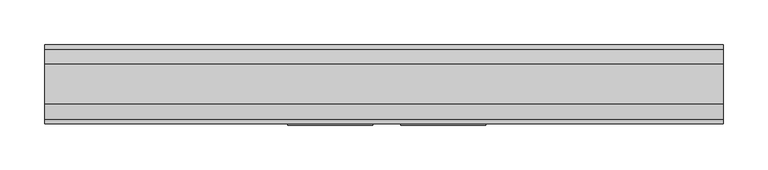
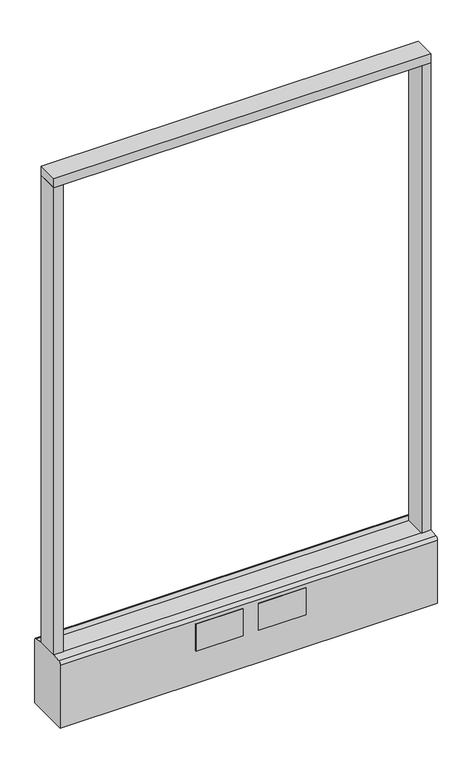
"""IFC4 building model written with IfcOpenShell, lengths in millimetres: furniture geometry."""

from ifc_helpers import new_model, si_unit, point, frame, frame_2d, origin, origin_with_axes, place, context, project, spatial, polyline, circle_curve, trimmed, segment, composite_curve, outline, extrude, source, transform, mapped, element, save


def furniture_e59d28b5(model_context):
    return source(origin(), model_context, "Body", "SweptSolid", [
        extrude(outline(polyline([(381.0, -22.225), (-381.0, -22.225), (-381.0, 22.225), (381.0, 22.225), (381.0, -22.225)])), frame((0.0, 0.0, 1149.35), z_axis=(0.0, 0.0, 1.0), x_axis=(1.0, 0.0, 0.0)), (0.0, 0.0, 1.0), 19.05),
        extrude(outline(composite_curve([segment(trimmed(circle_curve(frame_2d((-304.8, 0.0)), 23.415625), [point((-328.215625, 0.0))], [point((-281.384375, 0.0))], False, "CARTESIAN"), True, "CONTINUOUS"), segment(trimmed(circle_curve(frame_2d((-304.8, 0.0)), 23.415625), [point((-281.384375, 0.0))], [point((-328.215625, 0.0))], False, "CARTESIAN"), True, "CONTINUOUS")], self_intersect=False)), origin_with_axes(), (0.0, 0.0, 1.0), 6.35),
        extrude(outline(composite_curve([segment(trimmed(circle_curve(frame_2d((304.8, 0.0)), 23.415625), [point((281.384375, 0.0))], [point((328.215625, 0.0))], False, "CARTESIAN"), True, "CONTINUOUS"), segment(trimmed(circle_curve(frame_2d((304.8, 0.0)), 23.415625), [point((328.215625, 0.0))], [point((281.384375, 0.0))], False, "CARTESIAN"), True, "CONTINUOUS")], self_intersect=False)), origin_with_axes(), (0.0, 0.0, 1.0), 6.35),
        extrude(outline(polyline([(-361.9500091, -22.225), (-381.0, -22.225), (-381.0, 22.225), (-361.9500091, 22.225), (-361.9500091, -22.225)])), frame((0.0, 0.0, 152.4), z_axis=(0.0, 0.0, 1.0), x_axis=(1.0, 0.0, 0.0)), (0.0, 0.0, 1.0), 996.95),
        extrude(outline(polyline([(381.0, -22.225), (361.9500091, -22.225), (361.9500091, 22.225), (381.0, 22.225), (381.0, -22.225)])), frame((0.0, 0.0, 152.4), z_axis=(0.0, 0.0, 1.0), x_axis=(1.0, 0.0, 0.0)), (0.0, 0.0, 1.0), 996.95),
        extrude(outline(composite_curve([segment(polyline([(-22.225, 152.4), (22.225, 152.4), (39.43219, 149.94183)]), True, "CONTINUOUS"), segment(trimmed(circle_curve(frame_2d((38.605678, 144.1562464)), 5.844322), [point((39.43219, 149.94183))], [point((44.45, 144.1562464))], False, "CARTESIAN"), True, "CONTINUOUS"), segment(polyline([(44.45, 144.1562464), (44.45, 9.525), (-44.4433083, 9.525), (-44.4433083, 144.1572033)]), True, "CONTINUOUS"), segment(trimmed(circle_curve(frame_2d((-38.5989863, 144.1572033)), 5.844322), [point((-44.4433083, 144.1572033))], [point((-39.4222979, 149.9432432))], False, "CARTESIAN"), True, "CONTINUOUS"), segment(polyline([(-39.4222979, 149.9432432), (-22.225, 152.4)]), True, "CONTINUOUS")], self_intersect=False)), frame((-381.0, 0.0, 0.0), z_axis=(1.0, 0.0, 0.0), x_axis=(0.0, 1.0, 0.0)), (0.0, 0.0, 1.0), 762.0),
        extrude(outline(polyline([(114.3, -46.0375), (19.05, -46.0375), (19.05, -44.45), (114.3, -44.45), (114.3, -46.0375)])), frame((0.0, 0.0, 79.1718), z_axis=(0.0, 0.0, 1.0), x_axis=(1.0, 0.0, 0.0)), (0.0, 0.0, 1.0), 57.15),
        extrude(outline(polyline([(-12.7, -46.0375), (-107.95, -46.0375), (-107.95, -44.45), (-12.7, -44.45), (-12.7, -46.0375)])), frame((0.0, 0.0, 79.1718), z_axis=(0.0, 0.0, 1.0), x_axis=(1.0, 0.0, 0.0)), (0.0, 0.0, 1.0), 57.15),
        extrude(outline(composite_curve([segment(trimmed(circle_curve(frame_2d((-304.8, 0.0)), 5.55625), [point((-310.35625, 0.0))], [point((-299.24375, 0.0))], False, "CARTESIAN"), True, "CONTINUOUS"), segment(trimmed(circle_curve(frame_2d((-304.8, 0.0)), 5.55625), [point((-299.24375, 0.0))], [point((-310.35625, 0.0))], False, "CARTESIAN"), True, "CONTINUOUS")], self_intersect=False)), frame((0.0, 0.0, 6.35), z_axis=(0.0, 0.0, 1.0), x_axis=(1.0, 0.0, 0.0)), (0.0, 0.0, 1.0), 3.175),
        extrude(outline(composite_curve([segment(trimmed(circle_curve(frame_2d((304.8, 0.0)), 5.55625), [point((299.24375, 0.0))], [point((310.35625, 0.0))], False, "CARTESIAN"), True, "CONTINUOUS"), segment(trimmed(circle_curve(frame_2d((304.8, 0.0)), 5.55625), [point((310.35625, 0.0))], [point((299.24375, 0.0))], False, "CARTESIAN"), True, "CONTINUOUS")], self_intersect=False)), frame((0.0, 0.0, 6.35), z_axis=(0.0, 0.0, 1.0), x_axis=(1.0, 0.0, 0.0)), (0.0, 0.0, 1.0), 3.175),
    ])


if __name__ == "__main__":
    model = new_model("IFC4")
    model_context = context("Model", 3, world=origin())
    ifc_project = project(units=[si_unit("LENGTHUNIT", "METRE", prefix="MILLI")], contexts=[model_context])
    site = spatial("IfcSite", under=ifc_project)
    building = spatial("IfcBuilding", under=site)
    placement = place(None, origin())
    furniture_shape = furniture_e59d28b5(model_context)
    element("IfcFurniture", 1, at=placement, inside=building, context=model_context, shape_type="MappedRepresentation", body=[
        mapped(furniture_shape, transform((0.0, 0.0, 0.0), x_axis=(1.0, 0.0, 0.0), y_axis=(0.0, 1.0, 0.0), z_axis=(0.0, 0.0, 1.0))),
    ])
    save(model, "model.ifc")
